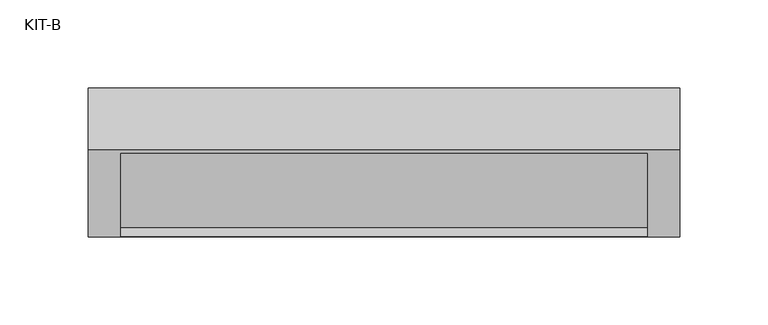
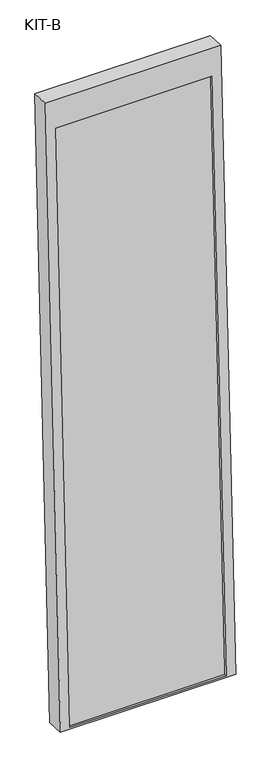
"""IFC4 building model written with IfcOpenShell, lengths in millimetres: plate geometry, KIT-B."""

import ifcopenshell
import ifcopenshell.guid

model = None  # the IFC model being written
_history = None  # IfcOwnerHistory: only IFC2X3 demands one
_inside = {}  # id of a spatial element -> (the spatial element, [elements in it])
_under = {}  # id of a project, library or spatial element -> (it, [spatial elements below it])
_declared = {}  # id of a project -> (the project, [libraries it declares])
_typed = {}  # id of a type object -> (the type object, [elements of that type])
_made_of = {}  # id of a material, layer set ... -> (it, [elements and type objects made of it])


def new_model(schema):
    """Start an empty IFC model of exactly this schema.

    Asked for "IFC4X3", IfcOpenShell would pick the latest addendum, in which some entities
    have other attributes; the version numbers below select the first issue.
    IFC2X3 requires an IfcOwnerHistory on every rooted entity: one is made here for all.
    """
    global model, _history
    if schema == "IFC4X3":
        model = ifcopenshell.file(schema_version=(4, 3, 0, 0))
    else:
        model = ifcopenshell.file(schema=schema)
    _inside.clear()
    _under.clear()
    _declared.clear()
    _typed.clear()
    _made_of.clear()
    _history = None
    if model.schema == "IFC2X3":
        org = make("IfcOrganization", Name="unknown")
        user = make(
            "IfcPersonAndOrganization",
            ThePerson=make("IfcPerson", FamilyName="unknown"),
            TheOrganization=org,
        )
        app = make(
            "IfcApplication",
            ApplicationDeveloper=org,
            Version="unknown",
            ApplicationFullName="unknown",
            ApplicationIdentifier="unknown",
        )
        _history = make(
            "IfcOwnerHistory",
            OwningUser=user,
            OwningApplication=app,
            ChangeAction="ADDED",
            CreationDate=0,
        )
    return model


def make(cls, **values):
    """One entity of the class cls with the attributes given. An attribute that is None is left unset."""
    return model.create_entity(
        cls, **{name: value for name, value in values.items() if value is not None}
    )


def rooted(cls, **values):
    """An entity with a GlobalId (a new one), such as an element, a storey or a relation."""
    return make(cls, GlobalId=ifcopenshell.guid.new(), OwnerHistory=_history, **values)


def si_unit(unit_type, name, prefix=None):
    """IfcSIUnit, for example si_unit("LENGTHUNIT", "METRE", prefix="MILLI")."""
    return make("IfcSIUnit", UnitType=unit_type, Prefix=prefix, Name=name)


def assignment(units):
    """IfcUnitAssignment: the units of a project."""
    return None if units is None else make("IfcUnitAssignment", Units=units)


def point(xyz):
    """IfcCartesianPoint."""
    return None if xyz is None else make("IfcCartesianPoint", Coordinates=xyz)


def direction(xyz):
    """IfcDirection."""
    return None if xyz is None else make("IfcDirection", DirectionRatios=xyz)


def frame(location, z_axis=None, x_axis=None):
    """IfcAxis2Placement3D, a coordinate frame: its origin and axes. An axis left out is left unset."""
    return make(
        "IfcAxis2Placement3D",
        Location=point(location),
        Axis=direction(z_axis),
        RefDirection=direction(x_axis),
    )


def origin():
    """The frame at (0, 0, 0) with its axes left unset."""
    return frame((0.0, 0.0, 0.0))


def place(relative_to, where):
    """IfcLocalPlacement: puts the frame where relative to a parent placement (None: the world)."""
    return make(
        "IfcLocalPlacement", PlacementRelTo=relative_to, RelativePlacement=where
    )


def context(
    kind, dimensions, precision=None, world=None, true_north=None, identifier=None
):
    """IfcGeometricRepresentationContext, for example the 3D "Model" context."""
    return make(
        "IfcGeometricRepresentationContext",
        ContextIdentifier=identifier,
        ContextType=kind,
        CoordinateSpaceDimension=dimensions,
        Precision=precision,
        WorldCoordinateSystem=world,
        TrueNorth=true_north,
    )


def project(units=None, contexts=None):
    """IfcProject with its units and contexts."""
    return rooted(
        "IfcProject",
        Name="project",
        RepresentationContexts=contexts,
        UnitsInContext=assignment(units),
    )


def spatial(cls, under=None, at=None, **own):
    """A site, building, storey or space (cls), placed at a placement, below another one or the project."""
    s = rooted(cls, ObjectPlacement=at, **own)
    if under is not None:
        _under.setdefault(under.id(), (under, []))[1].append(s)
    return s


def polyline(points):
    """IfcPolyline through the points."""
    return make("IfcPolyline", Points=[point(p) for p in points])


def outline(outer, holes=None, kind="AREA"):
    """IfcArbitraryClosedProfileDef: a profile drawn as a closed curve; with holes, ...WithVoids."""
    if holes is None:
        return make("IfcArbitraryClosedProfileDef", ProfileType=kind, OuterCurve=outer)
    return make(
        "IfcArbitraryProfileDefWithVoids",
        ProfileType=kind,
        OuterCurve=outer,
        InnerCurves=holes,
    )


def extrude(swept, where, along, depth):
    """IfcExtrudedAreaSolid: the profile swept, set in the frame where, extruded along a direction by depth."""
    return make(
        "IfcExtrudedAreaSolid",
        SweptArea=swept,
        Position=where,
        ExtrudedDirection=direction(along),
        Depth=depth,
    )


def shape(context_of_items, identifier, shape_type, items):
    """IfcShapeRepresentation: the items that make up one representation, for example the "Body"."""
    return make(
        "IfcShapeRepresentation",
        ContextOfItems=context_of_items,
        RepresentationIdentifier=identifier,
        RepresentationType=shape_type,
        Items=items,
    )


def source(mapping_origin, context_of_items, identifier, shape_type, items):
    """IfcRepresentationMap: a shape defined once, which mapped items show again and again."""
    return make(
        "IfcRepresentationMap",
        MappingOrigin=mapping_origin,
        MappedRepresentation=shape(context_of_items, identifier, shape_type, items),
    )


def transform(
    local_origin,
    x_axis=None,
    y_axis=None,
    z_axis=None,
    scale=None,
    scale2=None,
    scale3=None,
    uniform=True,
):
    """IfcCartesianTransformationOperator3D, or its non-uniform kind. x_axis, y_axis, z_axis: its Axis1, 2, 3."""
    if uniform:
        return make(
            "IfcCartesianTransformationOperator3D",
            Axis1=direction(x_axis),
            Axis2=direction(y_axis),
            LocalOrigin=point(local_origin),
            Scale=scale,
            Axis3=direction(z_axis),
        )
    return make(
        "IfcCartesianTransformationOperator3DnonUniform",
        Axis1=direction(x_axis),
        Axis2=direction(y_axis),
        LocalOrigin=point(local_origin),
        Scale=scale,
        Axis3=direction(z_axis),
        Scale2=scale2,
        Scale3=scale3,
    )


def mapped(mapping_source, mapping_target):
    """IfcMappedItem: shows the shape of a source again, moved by a transform."""
    return make(
        "IfcMappedItem", MappingSource=mapping_source, MappingTarget=mapping_target
    )


def made_of(thing, what):
    """Note that an element or type object is made of a material, layer set ...; save() writes the relation."""
    if what is not None:
        _made_of.setdefault(what.id(), (what, []))[1].append(thing)
    return thing


def element(
    cls,
    number,
    at=None,
    inside=None,
    cuts=None,
    type_object=None,
    material=None,
    context=None,
    identifier="Body",
    shape_type=None,
    held_by="IfcProductDefinitionShape",
    body=None,
    shapes=None,
    **own,
):
    """One element of the class cls, such as IfcWall. Its Tag is "e" and its number.

    at: its placement. inside: the storey or other place that contains it. cuts: it is an
    opening in that element (IfcRelVoidsElement). A single representation is given by context,
    identifier, shape_type and body (its items); several are given by shapes. held_by: the class
    of the entity that holds the representations. save() writes the other relations.
    """
    e = rooted(cls, Tag="e%d" % number, ObjectPlacement=at, **own)
    if body is not None:
        shapes = [shape(context, identifier, shape_type, body)]
    if shapes is not None:
        e.Representation = make(held_by, Representations=shapes)
    if inside is not None:
        _inside.setdefault(inside.id(), (inside, []))[1].append(e)
    if cuts is not None:
        rooted(
            "IfcRelVoidsElement", RelatingBuildingElement=cuts, RelatedOpeningElement=e
        )
    if type_object is not None:
        _typed.setdefault(type_object.id(), (type_object, []))[1].append(e)
    return made_of(e, material)


def aggregate(whole, parts):
    """IfcRelAggregates: a whole, such as a stair, and the parts it consists of."""
    return rooted("IfcRelAggregates", RelatingObject=whole, RelatedObjects=parts)


def save(model, path):
    """Write the relations noted so far, then the file.

    IfcRelAggregates (storeys below a building ...), IfcRelContainedInSpatialStructure (elements
    in a storey), IfcRelDefinesByType, IfcRelAssociatesMaterial and IfcRelDeclares: one each for
    every whole, place, type object, material and project.
    """
    for whole, parts in _under.values():
        aggregate(whole, parts)
    for where, things in _inside.values():
        rooted(
            "IfcRelContainedInSpatialStructure",
            RelatedElements=things,
            RelatingStructure=where,
        )
    for kind, things in _typed.values():
        rooted("IfcRelDefinesByType", RelatedObjects=things, RelatingType=kind)
    for what, things in _made_of.values():
        rooted("IfcRelAssociatesMaterial", RelatedObjects=things, RelatingMaterial=what)
    for by, libraries in _declared.values():
        rooted("IfcRelDeclares", RelatingContext=by, RelatedDefinitions=libraries)
    model.write(path)


def kit_b_4edd17ef(model_context):
    return source(origin(), model_context, "Body", "SweptSolid", [
        extrude(outline(polyline([(0.0, -299.0), (0.0, 0.0), (27.4505712, 0.0), (27.4505712, -299.0), (0.0, -299.0)])), frame((-149.5, -68.924512, -49.4243487), z_axis=(0.0, 0.03973683410233642, 0.9992101801000245), x_axis=(0.0, 0.9992101801000245, -0.03973683410233642)), (0.0, 0.0, 1.0), 1186.5315929),
        extrude(outline(polyline([(0.0, 0.0), (0.0, -336.0), (-1245.0000001, -336.0), (-1245.0000001, 0.0), (0.0, 0.0)]), holes=[polyline([(-55.0, -18.5), (-1241.531593, -18.5), (-1241.531593, -317.5), (-55.0, -317.5), (-55.0, -18.5)])]), frame((-168.0, 10.3863283, 1189.9345529), z_axis=(0.0, -0.9992101801000247, 0.03973683410233422), x_axis=(0.0, 0.03973683410233422, 0.9992101801000247)), (0.0, 0.0, 1.0), 35.0),
    ])


if __name__ == "__main__":
    model = new_model("IFC4")
    model_context = context("Model", 3, world=origin())
    ifc_project = project(units=[si_unit("LENGTHUNIT", "METRE", prefix="MILLI")], contexts=[model_context])
    site = spatial("IfcSite", under=ifc_project)
    building = spatial("IfcBuilding", under=site)
    placement = place(None, origin())
    kit_b_shape = kit_b_4edd17ef(model_context)
    element("IfcPlate", 1, ObjectType="KIT-B", at=placement, inside=building, context=model_context, shape_type="MappedRepresentation", body=[
        mapped(kit_b_shape, transform((0.0, 0.0, 0.0), x_axis=(1.0, 0.0, 0.0), y_axis=(0.0, 1.0, 0.0), z_axis=(0.0, 0.0, 1.0))),
    ])
    save(model, "model.ifc")
